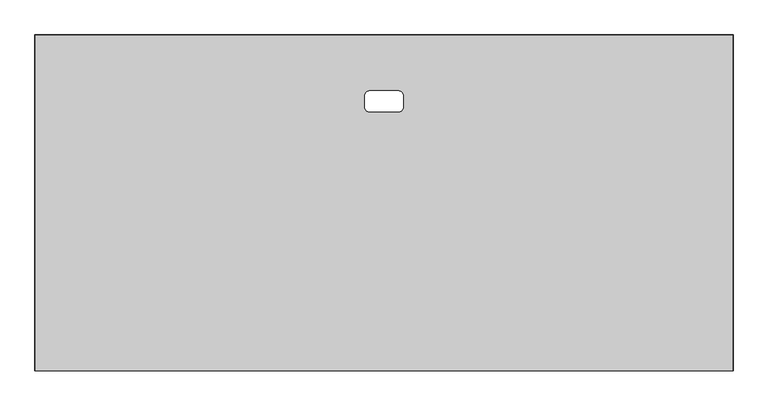
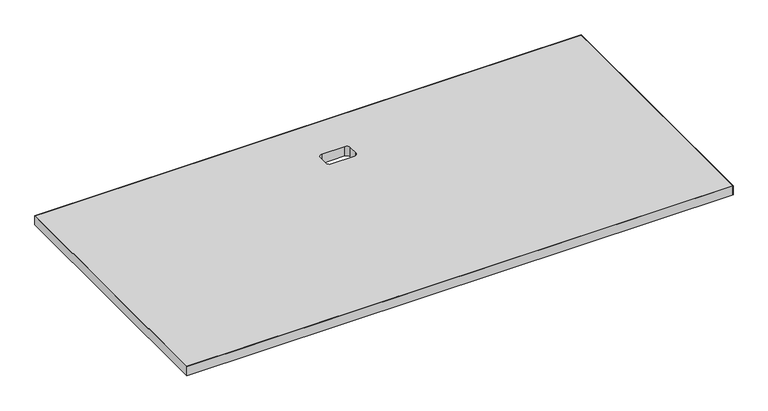
"""IFC4 building model written with IfcOpenShell, lengths in millimetres: furniture geometry."""

from ifc_helpers import new_model, si_unit, point, frame, frame_2d, origin, place, context, project, spatial, polyline, circle_curve, trimmed, segment, composite_curve, outline, extrude, source, transform, mapped, element, save


def furniture_f98e943f(model_context):
    return source(origin(), model_context, "Body", "SweptSolid", [
        extrude(outline(polyline([(1522.984, -1.016), (1522.984, -732.5359908), (1.016, -732.5359908), (1.016, -1.016), (1522.984, -1.016)]), holes=[composite_curve([segment(trimmed(circle_curve(frame_2d((729.7419944, -131.9530013)), 9.525), [point((729.7419944, -122.4280013))], [point((720.2169944, -131.9530013))], True, "CARTESIAN"), True, "CONTINUOUS"), segment(polyline([(720.2169944, -131.9530013), (720.2169944, -158.3690034)]), True, "CONTINUOUS"), segment(trimmed(circle_curve(frame_2d((729.7419944, -158.3690034)), 9.525), [point((720.2169944, -158.3690034))], [point((729.7419944, -167.8940034))], True, "CARTESIAN"), True, "CONTINUOUS"), segment(polyline([(729.7419944, -167.8940034), (794.2580056, -167.8940034)]), True, "CONTINUOUS"), segment(trimmed(circle_curve(frame_2d((794.2580056, -158.3690397)), 9.5249637), [point((794.2580056, -167.8940034))], [point((803.7829692, -158.3690397))], True, "CARTESIAN"), True, "CONTINUOUS"), segment(polyline([(803.7829692, -158.3690397), (803.7829692, -131.9530013)]), True, "CONTINUOUS"), segment(trimmed(circle_curve(frame_2d((794.2579692, -131.9530013)), 9.525), [point((803.7829692, -131.9530013))], [point((794.2579692, -122.4280013))], True, "CARTESIAN"), True, "CONTINUOUS"), segment(polyline([(794.2579692, -122.4280013), (729.7419944, -122.4280013)]), True, "CONTINUOUS")], self_intersect=False)]), frame((0.0, 0.0, 697.2297529), z_axis=(0.0, 0.0, 1.0), x_axis=(1.0, 0.0, 0.0)), (0.0, 0.0, 1.0), 26.924),
        extrude(outline(polyline([(1524.0, -733.5519908), (0.0, -733.5519908), (0.0, 0.0), (1524.0, 0.0), (1524.0, -733.5519908)]), holes=[polyline([(1522.984, -1.016), (1.016, -1.016), (1.016, -732.5359908), (1522.984, -732.5359908), (1522.984, -1.016)])]), frame((0.0, 0.0, 697.2297529), z_axis=(0.0, 0.0, 1.0), x_axis=(1.0, 0.0, 0.0)), (0.0, 0.0, 1.0), 26.924),
    ])


if __name__ == "__main__":
    model = new_model("IFC4")
    model_context = context("Model", 3, world=origin())
    ifc_project = project(units=[si_unit("LENGTHUNIT", "METRE", prefix="MILLI")], contexts=[model_context])
    site = spatial("IfcSite", under=ifc_project)
    building = spatial("IfcBuilding", under=site)
    placement = place(None, origin())
    furniture_shape = furniture_f98e943f(model_context)
    element("IfcFurniture", 1, at=placement, inside=building, context=model_context, shape_type="MappedRepresentation", body=[
        mapped(furniture_shape, transform((0.0, 0.0, 0.0), x_axis=(1.0, 0.0, 0.0), y_axis=(0.0, 1.0, 0.0), z_axis=(0.0, 0.0, 1.0))),
    ])
    save(model, "model.ifc")
